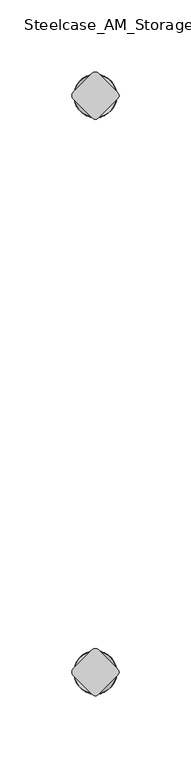
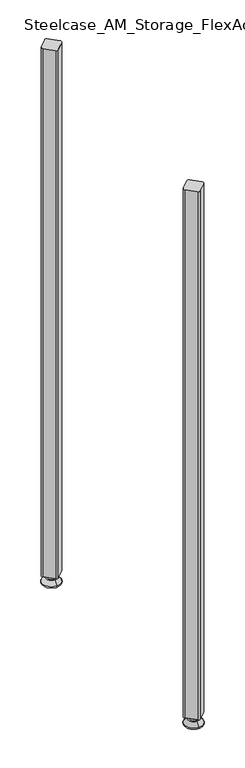
"""IFC4 building model written with IfcOpenShell, lengths in millimetres: furniture geometry, Steelcase_AM_Storage_FlexActiveFrames_FrameExtension : 2 High."""

from ifc_helpers import new_model, si_unit, point, frame, frame_2d, origin, place, context, project, spatial, polyline, circle_curve, ellipse_curve, trimmed, segment, composite_curve, outline, extrude, source, transform, mapped, element, save
from ifc_brep_helpers import plane_surface, cylinder_surface, revolved_surface, advanced_brep


def steelcase_am_storage_flexactiveframes_frameextension_2_high_09ca9ac7(model_context):
    return source(origin(), model_context, "Body", "SolidModel", [
        advanced_brep(
        [(800.1, 3.999659, 15.9766), (800.1, -3.999659, 15.9766), (800.1, 0.0, 15.9766), (800.1, 3.999659, 12.6000054), (800.1, -3.999659, 12.6000054), (800.1, 5.8601455, 12.6000054), (800.1, -5.8601455, 12.6000054), (800.1, 6.4951462, 11.9650074), (800.1, -6.4951462, 11.9650074), (800.1, 6.4951462, 9.0000124), (800.1, -6.4951462, 9.0000124), (800.1, 8.7421976, 9.0000124), (800.1, -8.7421976, 9.0000124), (800.1, 14.7060077, 2.3275608), (800.1, -14.7060077, 2.3275608), (800.1, 13.664601, 0.0), (800.1, -13.664601, 0.0), (800.1, 0.0, 0.0)],
        [
            (0, 1, circle_curve(frame((800.1, 0.0, 15.9766), z_axis=(0.0, 0.0, 1.0), x_axis=(0.0, -1.0, 0.0)), 3.999659)),
            (1, 2),
            (2, 0),
            (1, 0, circle_curve(frame((800.1, 0.0, 15.9766), z_axis=(0.0, 0.0, 1.0), x_axis=(0.0, -1.0, 0.0)), 3.999659)),
            (3, 4, circle_curve(frame((800.1, 0.0, 12.6000054), z_axis=(0.0, 0.0, 1.0), x_axis=(0.0, -1.0, 0.0)), 3.999659)),
            (4, 1),
            (0, 3),
            (4, 3, circle_curve(frame((800.1, 0.0, 12.6000054), z_axis=(0.0, 0.0, 1.0), x_axis=(0.0, -1.0, 0.0)), 3.999659)),
            (5, 6, circle_curve(frame((800.1, 0.0, 12.6000054), z_axis=(0.0, 0.0, 1.0), x_axis=(0.0, -1.0, 0.0)), 5.8601455)),
            (6, 4),
            (3, 5),
            (6, 5, circle_curve(frame((800.1, 0.0, 12.6000054), z_axis=(0.0, 0.0, 1.0), x_axis=(0.0, -1.0, 0.0)), 5.8601455)),
            (7, 8, circle_curve(frame((800.1, 0.0, 11.9650074), z_axis=(0.0, 0.0, 1.0), x_axis=(0.0, -1.0, 0.0)), 6.4951462)),
            (8, 6, circle_curve(frame((800.1, -5.8601462, 11.9650074), z_axis=(-1.0, 0.0, 0.0), x_axis=(0.0, -1.0, 0.0)), 0.635)),
            (5, 7, circle_curve(frame((800.1, 5.8601462, 11.9650074), z_axis=(-1.0, 0.0, 0.0), x_axis=(0.0, 1.0, 0.0)), 0.635)),
            (8, 7, circle_curve(frame((800.1, 0.0, 11.9650074), z_axis=(0.0, 0.0, 1.0), x_axis=(0.0, -1.0, 0.0)), 6.4951462)),
            (9, 10, circle_curve(frame((800.1, 0.0, 9.0000124), z_axis=(0.0, 0.0, 1.0), x_axis=(0.0, -1.0, 0.0)), 6.4951462)),
            (10, 8),
            (7, 9),
            (10, 9, circle_curve(frame((800.1, 0.0, 9.0000124), z_axis=(0.0, 0.0, 1.0), x_axis=(0.0, -1.0, 0.0)), 6.4951462)),
            (11, 12, circle_curve(frame((800.1, 0.0, 9.0000124), z_axis=(0.0, 0.0, 1.0), x_axis=(0.0, -1.0, 0.0)), 8.7421976)),
            (12, 10),
            (9, 11),
            (12, 11, circle_curve(frame((800.1, 0.0, 9.0000124), z_axis=(0.0, 0.0, 1.0), x_axis=(0.0, -1.0, 0.0)), 8.7421976)),
            (13, 14, circle_curve(frame((800.1, 0.0, 2.3275608), z_axis=(0.0, 0.0, 1.0), x_axis=(0.0, -1.0, 0.0)), 14.7060077)),
            (14, 12),
            (11, 13),
            (14, 13, circle_curve(frame((800.1, 0.0, 2.3275608), z_axis=(0.0, 0.0, 1.0), x_axis=(0.0, -1.0, 0.0)), 14.7060077)),
            (15, 16, circle_curve(frame((800.1, 0.0, 0.0), z_axis=(0.0, 0.0, 1.0), x_axis=(0.0, -1.0, 0.0)), 13.664601)),
            (16, 14, circle_curve(frame((800.1, -13.664601, 1.3967556), z_axis=(-1.0, 0.0, 0.0), x_axis=(0.0, -1.0, 0.0)), 1.3967556)),
            (13, 15, circle_curve(frame((800.1, 13.664601, 1.3967556), z_axis=(-1.0, 0.0, 0.0), x_axis=(0.0, 1.0, 0.0)), 1.3967556)),
            (16, 15, circle_curve(frame((800.1, 0.0, 0.0), z_axis=(0.0, 0.0, 1.0), x_axis=(0.0, -1.0, 0.0)), 13.664601)),
            (17, 16),
            (15, 17),
        ],
        [
            plane_surface(frame((800.1, 0.0, 15.9766), z_axis=(0.0, 0.0, 1.0), x_axis=(0.0, -1.0, 0.0))),
            cylinder_surface(frame((800.1, 0.0, -4.132372), z_axis=(0.0, 0.0, -1.0), x_axis=(0.0, -1.0, 0.0)), 3.999659),
            plane_surface(frame((800.1, 0.0, 12.6000054), z_axis=(0.0, 0.0, 1.0), x_axis=(0.0, -1.0, 0.0))),
            revolved_surface(trimmed(ellipse_curve(frame((800.1, -5.8601462, 11.9650074), z_axis=(1.0, 0.0, 0.0), x_axis=(0.0, -1.0, 0.0)), 0.635, 0.635), [point((800.1, -5.8601455, 12.6000074))], [point((800.1, -6.4951462, 11.9650074))], True, "CARTESIAN"), (800.1, 0.0, -4.132372), (0.0, 0.0, -1.0)),
            cylinder_surface(frame((800.1, 0.0, -4.132372), z_axis=(0.0, 0.0, -1.0), x_axis=(0.0, -1.0, 0.0)), 6.4951462),
            plane_surface(frame((800.1, 0.0, 9.0000124), z_axis=(0.0, 0.0, 1.0), x_axis=(0.0, -1.0, 0.0))),
            revolved_surface(polyline([(800.1, -8.7421976, 9.0000124), (800.1, -14.7060077, 2.3275608)]), (800.1, 0.0, -4.132372), (0.0, 0.0, -1.0)),
            revolved_surface(trimmed(ellipse_curve(frame((800.1, -13.664601, 1.3967556), z_axis=(1.0, 0.0, 0.0), x_axis=(0.0, -1.0, 0.0)), 1.3967556, 1.3967556), [point((800.1, -14.7060077, 2.3275608))], [point((800.1, -13.664601, 0.0))], True, "CARTESIAN"), (800.1, 0.0, -4.132372), (0.0, 0.0, -1.0)),
            plane_surface(frame((800.1, 0.0, 0.0), z_axis=(0.0, 0.0, -1.0), x_axis=(0.0, -1.0, 0.0))),
        ],
        [
            (0, [[1, 2, 3]]),
            (0, [[4, -3, -2]]),
            (1, [[5, 6, -1, 7]]),
            (1, [[8, -7, -4, -6]]),
            (2, [[9, 10, -5, 11]]),
            (2, [[12, -11, -8, -10]]),
            (3, [[13, 14, -9, 15]]),
            (3, [[16, -15, -12, -14]]),
            (4, [[17, 18, -13, 19]]),
            (4, [[20, -19, -16, -18]]),
            (5, [[21, 22, -17, 23]]),
            (5, [[24, -23, -20, -22]]),
            (6, [[25, 26, -21, 27]]),
            (6, [[28, -27, -24, -26]]),
            (7, [[29, 30, -25, 31]]),
            (7, [[32, -31, -28, -30]]),
            (8, [[33, -29, 34]]),
            (8, [[-34, -32, -33]]),
        ],
    ),
        advanced_brep(
        [(800.1, -400.05, 15.9766), (800.1, -396.050341, 15.9766), (800.1, -404.049659, 15.9766), (800.1, -396.050341, 12.6000054), (800.1, -404.049659, 12.6000054), (800.1, -394.1898545, 12.6000074), (800.1, -405.9101455, 12.6000074), (800.1, -393.5548538, 11.9650074), (800.1, -406.5451462, 11.9650074), (800.1, -393.5548538, 9.0000124), (800.1, -406.5451462, 9.0000124), (800.1, -391.3078024, 9.0000124), (800.1, -408.7921976, 9.0000124), (800.1, -385.3439923, 2.3275608), (800.1, -414.7560077, 2.3275608), (800.1, -386.385399, 0.0), (800.1, -413.714601, 0.0), (800.1, -400.05, 0.0)],
        [
            (0, 1),
            (1, 2, circle_curve(frame((800.1, -400.05, 15.9766), z_axis=(0.0, 0.0, 1.0), x_axis=(0.0, 1.0, 0.0)), 3.999659)),
            (2, 0),
            (2, 1, circle_curve(frame((800.1, -400.05, 15.9766), z_axis=(0.0, 0.0, 1.0), x_axis=(0.0, 1.0, 0.0)), 3.999659)),
            (1, 3),
            (3, 4, circle_curve(frame((800.1, -400.05, 12.6000054), z_axis=(0.0, 0.0, 1.0), x_axis=(0.0, 1.0, 0.0)), 3.999659)),
            (4, 2),
            (4, 3, circle_curve(frame((800.1, -400.05, 12.6000054), z_axis=(0.0, 0.0, 1.0), x_axis=(0.0, 1.0, 0.0)), 3.999659)),
            (3, 5),
            (5, 6, circle_curve(frame((800.1, -400.05, 12.6000074), z_axis=(0.0, 0.0, 1.0), x_axis=(0.0, 1.0, 0.0)), 5.8601455)),
            (6, 4),
            (6, 5, circle_curve(frame((800.1, -400.05, 12.6000074), z_axis=(0.0, 0.0, 1.0), x_axis=(0.0, 1.0, 0.0)), 5.8601455)),
            (5, 7, circle_curve(frame((800.1, -394.1898538, 11.9650074), z_axis=(-1.0, 0.0, 0.0), x_axis=(0.0, 1.0, 0.0)), 0.635)),
            (7, 8, circle_curve(frame((800.1, -400.05, 11.9650074), z_axis=(0.0, 0.0, 1.0), x_axis=(0.0, 1.0, 0.0)), 6.4951462)),
            (8, 6, circle_curve(frame((800.1, -405.9101462, 11.9650074), z_axis=(-1.0, 0.0, 0.0), x_axis=(0.0, -1.0, 0.0)), 0.635)),
            (8, 7, circle_curve(frame((800.1, -400.05, 11.9650074), z_axis=(0.0, 0.0, 1.0), x_axis=(0.0, 1.0, 0.0)), 6.4951462)),
            (7, 9),
            (9, 10, circle_curve(frame((800.1, -400.05, 9.0000124), z_axis=(0.0, 0.0, 1.0), x_axis=(0.0, 1.0, 0.0)), 6.4951462)),
            (10, 8),
            (10, 9, circle_curve(frame((800.1, -400.05, 9.0000124), z_axis=(0.0, 0.0, 1.0), x_axis=(0.0, 1.0, 0.0)), 6.4951462)),
            (9, 11),
            (11, 12, circle_curve(frame((800.1, -400.05, 9.0000124), z_axis=(0.0, 0.0, 1.0), x_axis=(0.0, 1.0, 0.0)), 8.7421976)),
            (12, 10),
            (12, 11, circle_curve(frame((800.1, -400.05, 9.0000124), z_axis=(0.0, 0.0, 1.0), x_axis=(0.0, 1.0, 0.0)), 8.7421976)),
            (11, 13),
            (13, 14, circle_curve(frame((800.1, -400.05, 2.3275608), z_axis=(0.0, 0.0, 1.0), x_axis=(0.0, 1.0, 0.0)), 14.7060077)),
            (14, 12),
            (14, 13, circle_curve(frame((800.1, -400.05, 2.3275608), z_axis=(0.0, 0.0, 1.0), x_axis=(0.0, 1.0, 0.0)), 14.7060077)),
            (13, 15, circle_curve(frame((800.1, -386.385399, 1.3967556), z_axis=(-1.0, 0.0, 0.0), x_axis=(0.0, 1.0, 0.0)), 1.3967556)),
            (15, 16, circle_curve(frame((800.1, -400.05, 0.0), z_axis=(0.0, 0.0, 1.0), x_axis=(0.0, 1.0, 0.0)), 13.664601)),
            (16, 14, circle_curve(frame((800.1, -413.714601, 1.3967556), z_axis=(-1.0, 0.0, 0.0), x_axis=(0.0, -1.0, 0.0)), 1.3967556)),
            (16, 15, circle_curve(frame((800.1, -400.05, 0.0), z_axis=(0.0, 0.0, 1.0), x_axis=(0.0, 1.0, 0.0)), 13.664601)),
            (15, 17),
            (17, 16),
        ],
        [
            plane_surface(frame((800.1, -400.05, 15.9766), z_axis=(0.0, 0.0, 1.0), x_axis=(0.0, 1.0, 0.0))),
            cylinder_surface(frame((800.1, -400.05, -4.132372), z_axis=(0.0, 0.0, 1.0), x_axis=(0.0, 1.0, 0.0)), 3.999659),
            plane_surface(frame((800.1, -400.05, 12.6000074), z_axis=(0.0, 0.0, 1.0), x_axis=(0.0, 1.0, 0.0))),
            revolved_surface(trimmed(ellipse_curve(frame((800.1, -394.1898538, 11.9650074), z_axis=(1.0, 0.0, 0.0), x_axis=(0.0, 1.0, 0.0)), 0.635, 0.635), [point((800.1, -393.5548538, 11.9650074))], [point((800.1, -394.1898545, 12.6000074))], True, "CARTESIAN"), (800.1, -400.05, -4.132372), (0.0, 0.0, 1.0)),
            cylinder_surface(frame((800.1, -400.05, -4.132372), z_axis=(0.0, 0.0, 1.0), x_axis=(0.0, 1.0, 0.0)), 6.4951462),
            plane_surface(frame((800.1, -400.05, 9.0000124), z_axis=(0.0, 0.0, 1.0), x_axis=(0.0, 1.0, 0.0))),
            revolved_surface(polyline([(800.1, -385.3439923, 2.3275608), (800.1, -391.3078024, 9.0000124)]), (800.1, -400.05, -4.132372), (0.0, 0.0, 1.0)),
            revolved_surface(trimmed(ellipse_curve(frame((800.1, -386.385399, 1.3967556), z_axis=(1.0, 0.0, 0.0), x_axis=(0.0, 1.0, 0.0)), 1.3967556, 1.3967556), [point((800.1, -386.385399, 0.0))], [point((800.1, -385.3439923, 2.3275608))], True, "CARTESIAN"), (800.1, -400.05, -4.132372), (0.0, 0.0, 1.0)),
            plane_surface(frame((800.1, -400.05, 0.0), z_axis=(0.0, 0.0, -1.0), x_axis=(0.0, 1.0, 0.0))),
        ],
        [
            (0, [[1, 2, 3]]),
            (0, [[-3, 4, -1]]),
            (1, [[-2, 5, 6, 7]]),
            (1, [[-4, -7, 8, -5]]),
            (2, [[-6, 9, 10, 11]]),
            (2, [[-8, -11, 12, -9]]),
            (3, [[-10, 13, 14, 15]]),
            (3, [[-12, -15, 16, -13]]),
            (4, [[-14, 17, 18, 19]]),
            (4, [[-16, -19, 20, -17]]),
            (5, [[-18, 21, 22, 23]]),
            (5, [[-20, -23, 24, -21]]),
            (6, [[-22, 25, 26, 27]]),
            (6, [[-24, -27, 28, -25]]),
            (7, [[-26, 29, 30, 31]]),
            (7, [[-28, -31, 32, -29]]),
            (8, [[-30, 33, 34]]),
            (8, [[-32, -34, -33]]),
        ],
    ),
        extrude(outline(composite_curve([segment(trimmed(circle_curve(frame_2d((800.1, -13.1875415)), 3.175), [point((802.345064, -15.4326055))], [point((797.854936, -15.4326055))], False, "CARTESIAN"), True, "CONTINUOUS"), segment(polyline([(797.854936, -15.4326055), (784.6673945, -2.245064)]), True, "CONTINUOUS"), segment(trimmed(circle_curve(frame_2d((786.9124585, 0.0)), 3.175), [point((784.6673945, -2.245064))], [point((784.6673945, 2.245064))], False, "CARTESIAN"), True, "CONTINUOUS"), segment(polyline([(784.6673945, 2.245064), (797.854936, 15.4326055)]), True, "CONTINUOUS"), segment(trimmed(circle_curve(frame_2d((800.1, 13.1875415)), 3.175), [point((797.854936, 15.4326055))], [point((802.345064, 15.4326055))], False, "CARTESIAN"), True, "CONTINUOUS"), segment(polyline([(802.345064, 15.4326055), (815.5326055, 2.245064)]), True, "CONTINUOUS"), segment(trimmed(circle_curve(frame_2d((813.2875415, 0.0)), 3.175), [point((815.5326055, 2.245064))], [point((815.5326055, -2.245064))], False, "CARTESIAN"), True, "CONTINUOUS"), segment(polyline([(815.5326055, -2.245064), (802.345064, -15.4326055)]), True, "CONTINUOUS")], self_intersect=False)), frame((0.0, 0.0, 15.9766), z_axis=(0.0, 0.0, 1.0), x_axis=(1.0, 0.0, 0.0)), (0.0, 0.0, 1.0), 907.3134),
        extrude(outline(composite_curve([segment(polyline([(802.345064, -384.6173945), (815.5326055, -397.804936)]), True, "CONTINUOUS"), segment(trimmed(circle_curve(frame_2d((813.2875415, -400.05)), 3.175), [point((815.5326055, -397.804936))], [point((815.5326055, -402.295064))], False, "CARTESIAN"), True, "CONTINUOUS"), segment(polyline([(815.5326055, -402.295064), (802.345064, -415.4826055)]), True, "CONTINUOUS"), segment(trimmed(circle_curve(frame_2d((800.1, -413.2375415)), 3.175), [point((802.345064, -415.4826055))], [point((797.854936, -415.4826055))], False, "CARTESIAN"), True, "CONTINUOUS"), segment(polyline([(797.854936, -415.4826055), (784.6673945, -402.295064)]), True, "CONTINUOUS"), segment(trimmed(circle_curve(frame_2d((786.9124585, -400.05)), 3.175), [point((784.6673945, -402.295064))], [point((784.6673945, -397.804936))], False, "CARTESIAN"), True, "CONTINUOUS"), segment(polyline([(784.6673945, -397.804936), (797.854936, -384.6173945)]), True, "CONTINUOUS"), segment(trimmed(circle_curve(frame_2d((800.1, -386.8624585)), 3.175), [point((797.854936, -384.6173945))], [point((802.345064, -384.6173945))], False, "CARTESIAN"), True, "CONTINUOUS")], self_intersect=False)), frame((0.0, 0.0, 15.9766), z_axis=(0.0, 0.0, 1.0), x_axis=(1.0, 0.0, 0.0)), (0.0, 0.0, 1.0), 907.3134),
    ])


if __name__ == "__main__":
    model = new_model("IFC4")
    model_context = context("Model", 3, world=origin())
    ifc_project = project(units=[si_unit("LENGTHUNIT", "METRE", prefix="MILLI")], contexts=[model_context])
    site = spatial("IfcSite", under=ifc_project)
    building = spatial("IfcBuilding", under=site)
    placement = place(None, origin())
    steelcase_am_storage_flexactiveframes_frameextension_2_high_shape = steelcase_am_storage_flexactiveframes_frameextension_2_high_09ca9ac7(model_context)
    element("IfcFurniture", 1, ObjectType="Steelcase_AM_Storage_FlexActiveFrames_FrameExtension : 2 High", at=placement, inside=building, context=model_context, shape_type="MappedRepresentation", body=[
        mapped(steelcase_am_storage_flexactiveframes_frameextension_2_high_shape, transform((0.0, 0.0, 0.0), x_axis=(1.0, 0.0, 0.0), y_axis=(0.0, 1.0, 0.0), z_axis=(0.0, 0.0, 1.0))),
    ])
    save(model, "model.ifc")
